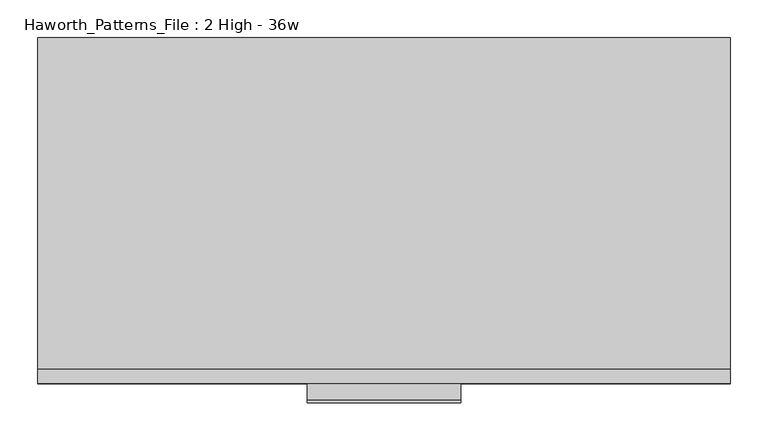
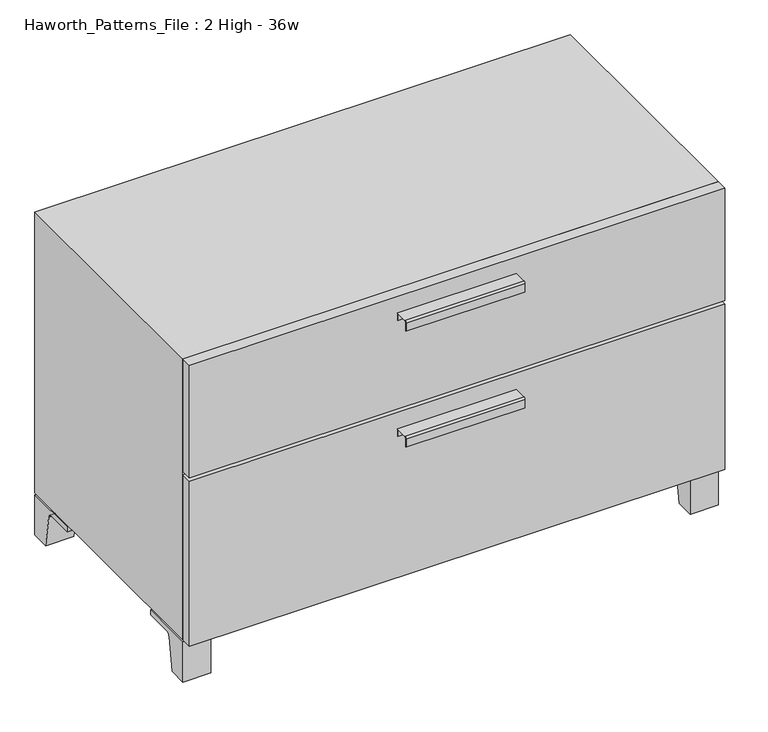
"""IFC4 building model written with IfcOpenShell, lengths in millimetres: furniture geometry, Haworth_Patterns_File : 2 High - 36w."""

from ifc_helpers import new_model, si_unit, point, frame, frame_2d, origin, place, context, project, spatial, polyline, circle_curve, trimmed, segment, composite_curve, outline, extrude, source, transform, mapped, element, save


def haworth_patterns_file_2_high_36w_0f5eae7e(model_context):
    return source(origin(), model_context, "Body", "SweptSolid", [
        extrude(outline(composite_curve([segment(polyline([(-479.4250242, 554.6169215), (-457.2, 554.6169215), (-457.2, 541.1549525), (-457.9937742, 541.1549525), (-457.9937742, 553.8232199), (-479.4250242, 553.8232199)]), True, "CONTINUOUS"), segment(trimmed(circle_curve(frame_2d((-479.4250242, 551.4392808)), 2.3839392), [point((-479.4250242, 553.8232199))], [point((-481.8089634, 551.4392808))], True, "CARTESIAN"), True, "CONTINUOUS"), segment(polyline([(-481.8089634, 551.4392808), (-481.8089634, 536.8369021), (-482.5999758, 536.8369021), (-482.5999758, 551.4419699)]), True, "CONTINUOUS"), segment(trimmed(circle_curve(frame_2d((-479.4250242, 551.4419699)), 3.1749516), [point((-482.5999758, 551.4419699))], [point((-479.4250242, 554.6169215))], False, "CARTESIAN"), True, "CONTINUOUS")], self_intersect=False)), frame((-101.6, 0.0, 0.0), z_axis=(1.0, 0.0, 0.0), x_axis=(0.0, 1.0, 0.0)), (0.0, 0.0, 1.0), 203.2),
        extrude(outline(polyline([(457.2, -438.15), (457.2, -457.2), (-457.2, -457.2), (-457.2, -438.15), (457.2, -438.15)])), frame((0.0, 0.0, 381.0), z_axis=(0.0, 0.0, 1.0), x_axis=(1.0, 0.0, 0.0)), (0.0, 0.0, 1.0), 203.2),
        extrude(outline(composite_curve([segment(polyline([(-479.4250242, 345.0669215), (-457.2, 345.0669215), (-457.2, 331.6049525), (-457.9937742, 331.6049525), (-457.9937742, 344.2732199), (-479.4250242, 344.2732199)]), True, "CONTINUOUS"), segment(trimmed(circle_curve(frame_2d((-479.4250242, 341.8892808)), 2.3839392), [point((-479.4250242, 344.2732199))], [point((-481.8089634, 341.8892808))], True, "CARTESIAN"), True, "CONTINUOUS"), segment(polyline([(-481.8089634, 341.8892808), (-481.8089634, 327.2869021), (-482.5999758, 327.2869021), (-482.5999758, 341.8919699)]), True, "CONTINUOUS"), segment(trimmed(circle_curve(frame_2d((-479.4250242, 341.8919699)), 3.1749516), [point((-482.5999758, 341.8919699))], [point((-479.4250242, 345.0669215))], False, "CARTESIAN"), True, "CONTINUOUS")], self_intersect=False)), frame((-101.6, 0.0, 0.0), z_axis=(1.0, 0.0, 0.0), x_axis=(0.0, 1.0, 0.0)), (0.0, 0.0, 1.0), 203.2),
        extrude(outline(polyline([(457.2, -438.15), (457.2, -457.2), (-457.2, -457.2), (-457.2, -438.15), (457.2, -438.15)])), frame((0.0, 0.0, 76.2), z_axis=(0.0, 0.0, 1.0), x_axis=(1.0, 0.0, 0.0)), (0.0, 0.0, 1.0), 298.45),
        extrude(outline(polyline([(412.75, -434.975), (412.75, -346.075), (454.025, -346.075), (454.025, -434.975), (412.75, -434.975)])), frame((0.0, 0.0, 73.025), z_axis=(0.0, 0.0, 1.0), x_axis=(1.0, 0.0, 0.0)), (0.0, 0.0, 1.0), 3.175),
        extrude(outline(composite_curve([segment(polyline([(-406.4, 0.0), (-438.15, 0.0), (-438.15, 73.025), (-342.9, 73.025), (-342.9, 63.5), (-390.525, 63.5)]), True, "CONTINUOUS"), segment(trimmed(circle_curve(frame_2d((-390.525, 57.15)), 6.35), [point((-390.525, 63.5))], [point((-396.875, 57.15))], True, "CARTESIAN"), True, "CONTINUOUS"), segment(polyline([(-396.875, 57.15), (-406.4, 0.0)]), True, "CONTINUOUS")], self_intersect=False)), frame((409.575, 0.0, 0.0), z_axis=(1.0, 0.0, 0.0), x_axis=(0.0, 1.0, 0.0)), (0.0, 0.0, 1.0), 47.625),
        extrude(outline(polyline([(-412.75, -434.975), (-454.025, -434.975), (-454.025, -346.075), (-412.75, -346.075), (-412.75, -434.975)])), frame((0.0, 0.0, 73.025), z_axis=(0.0, 0.0, 1.0), x_axis=(1.0, 0.0, 0.0)), (0.0, 0.0, 1.0), 3.175),
        extrude(outline(composite_curve([segment(polyline([(-406.4, 0.0), (-438.15, 0.0), (-438.15, 73.025), (-342.9, 73.025), (-342.9, 63.5), (-390.525, 63.5)]), True, "CONTINUOUS"), segment(trimmed(circle_curve(frame_2d((-390.525, 57.15)), 6.35), [point((-390.525, 63.5))], [point((-396.875, 57.15))], True, "CARTESIAN"), True, "CONTINUOUS"), segment(polyline([(-396.875, 57.15), (-406.4, 0.0)]), True, "CONTINUOUS")], self_intersect=False)), frame((-457.2, 0.0, 0.0), z_axis=(1.0, 0.0, 0.0), x_axis=(0.0, 1.0, 0.0)), (0.0, 0.0, 1.0), 47.625),
        extrude(outline(polyline([(412.75, -3.175), (454.025, -3.175), (454.025, -92.075), (412.75, -92.075), (412.75, -3.175)])), frame((0.0, 0.0, 73.025), z_axis=(0.0, 0.0, 1.0), x_axis=(1.0, 0.0, 0.0)), (0.0, 0.0, 1.0), 3.175),
        extrude(outline(composite_curve([segment(polyline([(-31.75, 0.0), (-41.275, 57.15)]), True, "CONTINUOUS"), segment(trimmed(circle_curve(frame_2d((-47.625, 57.15)), 6.35), [point((-41.275, 57.15))], [point((-47.625, 63.5))], True, "CARTESIAN"), True, "CONTINUOUS"), segment(polyline([(-47.625, 63.5), (-95.25, 63.5), (-95.25, 73.025), (0.0, 73.025), (0.0, 0.0), (-31.75, 0.0)]), True, "CONTINUOUS")], self_intersect=False)), frame((409.575, 0.0, 0.0), z_axis=(1.0, 0.0, 0.0), x_axis=(0.0, 1.0, 0.0)), (0.0, 0.0, 1.0), 47.625),
        extrude(outline(polyline([(-412.75, -3.175), (-412.75, -92.075), (-454.025, -92.075), (-454.025, -3.175), (-412.75, -3.175)])), frame((0.0, 0.0, 73.025), z_axis=(0.0, 0.0, 1.0), x_axis=(1.0, 0.0, 0.0)), (0.0, 0.0, 1.0), 3.175),
        extrude(outline(composite_curve([segment(polyline([(-31.75, 0.0), (-41.275, 57.15)]), True, "CONTINUOUS"), segment(trimmed(circle_curve(frame_2d((-47.625, 57.15)), 6.35), [point((-41.275, 57.15))], [point((-47.625, 63.5))], True, "CARTESIAN"), True, "CONTINUOUS"), segment(polyline([(-47.625, 63.5), (-95.25, 63.5), (-95.25, 73.025), (0.0, 73.025), (0.0, 0.0), (-31.75, 0.0)]), True, "CONTINUOUS")], self_intersect=False)), frame((-457.2, 0.0, 0.0), z_axis=(1.0, 0.0, 0.0), x_axis=(0.0, 1.0, 0.0)), (0.0, 0.0, 1.0), 47.625),
        extrude(outline(polyline([(457.2, 0.0), (457.2, -438.15), (-457.2, -438.15), (-457.2, 0.0), (457.2, 0.0)])), frame((0.0, 0.0, 76.2), z_axis=(0.0, 0.0, 1.0), x_axis=(1.0, 0.0, 0.0)), (0.0, 0.0, 1.0), 508.0),
    ])


if __name__ == "__main__":
    model = new_model("IFC4")
    model_context = context("Model", 3, world=origin())
    ifc_project = project(units=[si_unit("LENGTHUNIT", "METRE", prefix="MILLI")], contexts=[model_context])
    site = spatial("IfcSite", under=ifc_project)
    building = spatial("IfcBuilding", under=site)
    placement = place(None, origin())
    haworth_patterns_file_2_high_36w_shape = haworth_patterns_file_2_high_36w_0f5eae7e(model_context)
    element("IfcFurniture", 1, ObjectType="Haworth_Patterns_File : 2 High - 36w", at=placement, inside=building, context=model_context, shape_type="MappedRepresentation", body=[
        mapped(haworth_patterns_file_2_high_36w_shape, transform((0.0, 0.0, 0.0), x_axis=(1.0, 0.0, 0.0), y_axis=(0.0, 1.0, 0.0), z_axis=(0.0, 0.0, 1.0))),
    ])
    save(model, "model.ifc")
